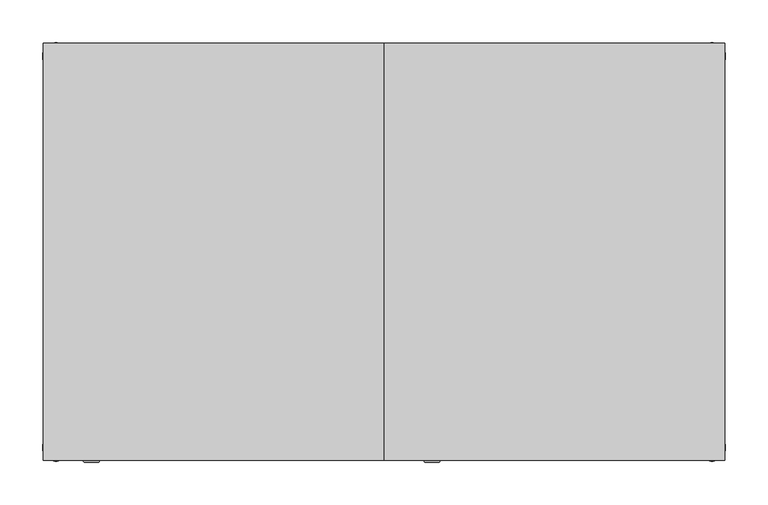
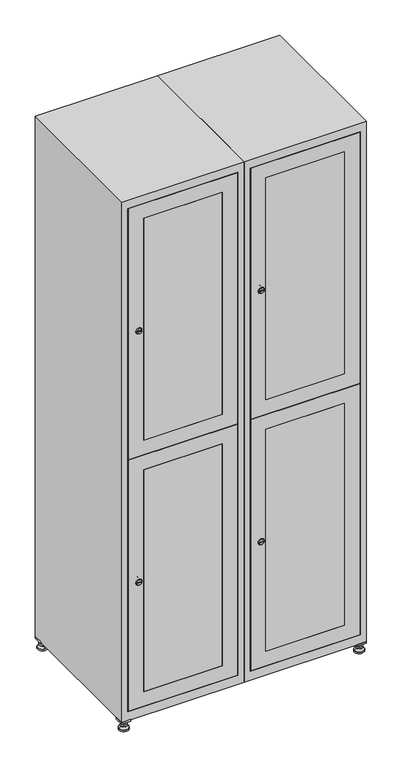
"""IFC4 building model written with IfcOpenShell, lengths in millimetres: furniture geometry."""

from ifc_helpers import new_model, si_unit, point, frame, frame_2d, origin, origin_with_axes, place, context, project, spatial, polyline, circle_curve, trimmed, segment, composite_curve, outline, extrude, faceted_brep, source, transform, mapped, element, save
from ifc_brep_helpers import plane_surface, revolved_surface, advanced_brep


def furniture_c458c1a8(model_context):
    return source(origin(), model_context, "Body", "SolidModel", [
        extrude(outline(polyline([(600.0, 245.0), (600.0, 215.0), (570.0, 215.0), (570.0, 245.0), (600.0, 245.0)]), holes=[polyline([(598.0, 243.0), (572.0, 243.0), (572.0, 217.0), (598.0, 217.0), (598.0, 243.0)])]), frame((0.0, 0.0, 28.5), z_axis=(0.0, 0.0, 1.0), x_axis=(1.0, 0.0, 0.0)), (0.0, 0.0, 1.0), 6.5),
        extrude(outline(polyline([(570.0, -245.0), (570.0, -215.0), (600.0, -215.0), (600.0, -245.0), (570.0, -245.0)]), holes=[polyline([(572.0, -243.0), (598.0, -243.0), (598.0, -217.0), (572.0, -217.0), (572.0, -243.0)])]), frame((0.0, 0.0, 28.5), z_axis=(0.0, 0.0, 1.0), x_axis=(1.0, 0.0, 0.0)), (0.0, 0.0, 1.0), 6.5),
        extrude(outline(polyline([(-170.0, 245.0), (-170.0, 215.0), (-200.0, 215.0), (-200.0, 245.0), (-170.0, 245.0)]), holes=[polyline([(-172.0, 243.0), (-198.0, 243.0), (-198.0, 217.0), (-172.0, 217.0), (-172.0, 243.0)])]), frame((0.0, 0.0, 28.5), z_axis=(0.0, 0.0, 1.0), x_axis=(1.0, 0.0, 0.0)), (0.0, 0.0, 1.0), 6.5),
        extrude(outline(polyline([(-170.0, -215.0), (-170.0, -245.0), (-200.0, -245.0), (-200.0, -215.0), (-170.0, -215.0)]), holes=[polyline([(-198.0, -243.0), (-172.0, -243.0), (-172.0, -217.0), (-198.0, -217.0), (-198.0, -243.0)])]), frame((0.0, 0.0, 28.5), z_axis=(0.0, 0.0, 1.0), x_axis=(1.0, 0.0, 0.0)), (0.0, 0.0, 1.0), 6.5),
        extrude(outline(composite_curve([segment(trimmed(circle_curve(frame_2d((-185.0, 230.0)), 5.0), [point((-180.0, 230.0))], [point((-190.0, 230.0))], False, "CARTESIAN"), True, "CONTINUOUS"), segment(trimmed(circle_curve(frame_2d((-185.0, 230.0)), 5.0), [point((-190.0, 230.0))], [point((-180.0, 230.0))], False, "CARTESIAN"), True, "CONTINUOUS")], self_intersect=False)), frame((0.0, 0.0, 19.6), z_axis=(0.0, 0.0, 1.0), x_axis=(1.0, 0.0, 0.0)), (0.0, 0.0, 1.0), 15.4),
        extrude(outline(composite_curve([segment(trimmed(circle_curve(frame_2d((-185.0, -230.0)), 5.0), [point((-180.0, -230.0))], [point((-190.0, -230.0))], False, "CARTESIAN"), True, "CONTINUOUS"), segment(trimmed(circle_curve(frame_2d((-185.0, -230.0)), 5.0), [point((-190.0, -230.0))], [point((-180.0, -230.0))], False, "CARTESIAN"), True, "CONTINUOUS")], self_intersect=False)), frame((0.0, 0.0, 19.6), z_axis=(0.0, 0.0, 1.0), x_axis=(1.0, 0.0, 0.0)), (0.0, 0.0, 1.0), 15.4),
        extrude(outline(composite_curve([segment(trimmed(circle_curve(frame_2d((585.0, 230.0)), 5.0), [point((590.0, 230.0))], [point((580.0, 230.0))], False, "CARTESIAN"), True, "CONTINUOUS"), segment(trimmed(circle_curve(frame_2d((585.0, 230.0)), 5.0), [point((580.0, 230.0))], [point((590.0, 230.0))], False, "CARTESIAN"), True, "CONTINUOUS")], self_intersect=False)), frame((0.0, 0.0, 19.6), z_axis=(0.0, 0.0, 1.0), x_axis=(1.0, 0.0, 0.0)), (0.0, 0.0, 1.0), 15.4),
        extrude(outline(polyline([(573.4529946, 230.0), (579.2264973, 240.0), (590.7735027, 240.0), (596.5470054, 230.0), (590.7735027, 220.0), (579.2264973, 220.0), (573.4529946, 230.0)])), frame((0.0, 0.0, 13.6), z_axis=(0.0, 0.0, 1.0), x_axis=(1.0, 0.0, 0.0)), (0.0, 0.0, 1.0), 6.0),
        extrude(outline(composite_curve([segment(trimmed(circle_curve(frame_2d((585.0, -230.0)), 5.0), [point((590.0, -230.0))], [point((580.0, -230.0))], False, "CARTESIAN"), True, "CONTINUOUS"), segment(trimmed(circle_curve(frame_2d((585.0, -230.0)), 5.0), [point((580.0, -230.0))], [point((590.0, -230.0))], False, "CARTESIAN"), True, "CONTINUOUS")], self_intersect=False)), frame((0.0, 0.0, 19.6), z_axis=(0.0, 0.0, 1.0), x_axis=(1.0, 0.0, 0.0)), (0.0, 0.0, 1.0), 15.4),
        extrude(outline(polyline([(573.4529946, -230.0), (579.2264973, -220.0), (590.7735027, -220.0), (596.5470054, -230.0), (590.7735027, -240.0), (579.2264973, -240.0), (573.4529946, -230.0)])), frame((0.0, 0.0, 13.6), z_axis=(0.0, 0.0, 1.0), x_axis=(1.0, 0.0, 0.0)), (0.0, 0.0, 1.0), 6.0),
        extrude(outline(composite_curve([segment(trimmed(circle_curve(frame_2d((585.0, 230.0)), 5.0), [point((590.0, 230.0))], [point((580.0, 230.0))], False, "CARTESIAN"), True, "CONTINUOUS"), segment(trimmed(circle_curve(frame_2d((585.0, 230.0)), 5.0), [point((580.0, 230.0))], [point((590.0, 230.0))], False, "CARTESIAN"), True, "CONTINUOUS")], self_intersect=False)), frame((0.0, 0.0, 12.1), z_axis=(0.0, 0.0, 1.0), x_axis=(1.0, 0.0, 0.0)), (0.0, 0.0, 1.0), 1.5),
        extrude(outline(composite_curve([segment(trimmed(circle_curve(frame_2d((585.0, -230.0)), 5.0), [point((590.0, -230.0))], [point((580.0, -230.0))], False, "CARTESIAN"), True, "CONTINUOUS"), segment(trimmed(circle_curve(frame_2d((585.0, -230.0)), 5.0), [point((580.0, -230.0))], [point((590.0, -230.0))], False, "CARTESIAN"), True, "CONTINUOUS")], self_intersect=False)), frame((0.0, 0.0, 12.1), z_axis=(0.0, 0.0, 1.0), x_axis=(1.0, 0.0, 0.0)), (0.0, 0.0, 1.0), 1.5),
        extrude(outline(polyline([(-196.5470054, 230.0), (-190.7735027, 240.0), (-179.2264973, 240.0), (-173.4529946, 230.0), (-179.2264973, 220.0), (-190.7735027, 220.0), (-196.5470054, 230.0)])), frame((0.0, 0.0, 13.6), z_axis=(0.0, 0.0, 1.0), x_axis=(1.0, 0.0, 0.0)), (0.0, 0.0, 1.0), 6.0),
        extrude(outline(polyline([(-196.5470054, -230.0), (-190.7735027, -220.0), (-179.2264973, -220.0), (-173.4529946, -230.0), (-179.2264973, -240.0), (-190.7735027, -240.0), (-196.5470054, -230.0)])), frame((0.0, 0.0, 13.6), z_axis=(0.0, 0.0, 1.0), x_axis=(1.0, 0.0, 0.0)), (0.0, 0.0, 1.0), 6.0),
        extrude(outline(composite_curve([segment(trimmed(circle_curve(frame_2d((-185.0, 230.0)), 5.0), [point((-185.0, 235.0))], [point((-185.0, 225.0))], False, "CARTESIAN"), True, "CONTINUOUS"), segment(trimmed(circle_curve(frame_2d((-185.0, 230.0)), 5.0), [point((-185.0, 225.0))], [point((-185.0, 235.0))], False, "CARTESIAN"), True, "CONTINUOUS")], self_intersect=False)), frame((0.0, 0.0, 12.1), z_axis=(0.0, 0.0, 1.0), x_axis=(1.0, 0.0, 0.0)), (0.0, 0.0, 1.0), 1.5),
        extrude(outline(composite_curve([segment(trimmed(circle_curve(frame_2d((-185.0, -230.0)), 5.0), [point((-180.0, -230.0))], [point((-190.0, -230.0))], False, "CARTESIAN"), True, "CONTINUOUS"), segment(trimmed(circle_curve(frame_2d((-185.0, -230.0)), 5.0), [point((-190.0, -230.0))], [point((-180.0, -230.0))], False, "CARTESIAN"), True, "CONTINUOUS")], self_intersect=False)), frame((0.0, 0.0, 12.1), z_axis=(0.0, 0.0, 1.0), x_axis=(1.0, 0.0, 0.0)), (0.0, 0.0, 1.0), 1.5),
        extrude(outline(composite_curve([segment(trimmed(circle_curve(frame_2d((585.0, 230.0)), 15.75), [point((600.75, 230.0))], [point((569.25, 230.0))], False, "CARTESIAN"), True, "CONTINUOUS"), segment(trimmed(circle_curve(frame_2d((585.0, 230.0)), 15.75), [point((569.25, 230.0))], [point((600.75, 230.0))], False, "CARTESIAN"), True, "CONTINUOUS")], self_intersect=False)), origin_with_axes(), (0.0, 0.0, 1.0), 5.1),
        extrude(outline(composite_curve([segment(trimmed(circle_curve(frame_2d((585.0, -230.0)), 15.75), [point((585.0, -214.25))], [point((585.0, -245.75))], False, "CARTESIAN"), True, "CONTINUOUS"), segment(trimmed(circle_curve(frame_2d((585.0, -230.0)), 15.75), [point((585.0, -245.75))], [point((585.0, -214.25))], False, "CARTESIAN"), True, "CONTINUOUS")], self_intersect=False)), origin_with_axes(), (0.0, 0.0, 1.0), 5.1),
        extrude(outline(composite_curve([segment(trimmed(circle_curve(frame_2d((-185.0, -230.0)), 15.75), [point((-169.25, -230.0))], [point((-200.75, -230.0))], False, "CARTESIAN"), True, "CONTINUOUS"), segment(trimmed(circle_curve(frame_2d((-185.0, -230.0)), 15.75), [point((-200.75, -230.0))], [point((-169.25, -230.0))], False, "CARTESIAN"), True, "CONTINUOUS")], self_intersect=False)), origin_with_axes(), (0.0, 0.0, 1.0), 5.1),
        extrude(outline(composite_curve([segment(trimmed(circle_curve(frame_2d((-185.0, 230.0)), 15.75), [point((-169.25, 230.0))], [point((-200.75, 230.0))], False, "CARTESIAN"), True, "CONTINUOUS"), segment(trimmed(circle_curve(frame_2d((-185.0, 230.0)), 15.75), [point((-200.75, 230.0))], [point((-169.25, 230.0))], False, "CARTESIAN"), True, "CONTINUOUS")], self_intersect=False)), origin_with_axes(), (0.0, 0.0, 1.0), 5.1),
        advanced_brep(
        [(-185.0, 245.75, 5.1), (-185.0, 214.25, 5.1), (-185.0, 239.5, 12.1), (-185.0, 220.5, 12.1)],
        [
            (0, 1, circle_curve(frame((-185.0, 230.0, 5.1), z_axis=(0.0, 0.0, -1.0), x_axis=(0.0, 1.0, 0.0)), 15.75)),
            (1, 0, circle_curve(frame((-185.0, 230.0, 5.1), z_axis=(0.0, 0.0, -1.0), x_axis=(0.0, -1.0, 0.0)), 15.75)),
            (2, 3, circle_curve(frame((-185.0, 230.0, 12.1), z_axis=(0.0, 0.0, 1.0), x_axis=(0.0, -1.0, 0.0)), 9.5)),
            (3, 2, circle_curve(frame((-185.0, 230.0, 12.1), z_axis=(0.0, 0.0, 1.0), x_axis=(0.0, 1.0, 0.0)), 9.5)),
            (3, 1),
            (0, 2),
        ],
        [
            plane_surface(frame((-185.0, 230.0, 5.1), z_axis=(0.0, 0.0, -1.0), x_axis=(1.0, 0.0, 0.0))),
            plane_surface(frame((-185.0, 230.0, 12.1), z_axis=(0.0, 0.0, 1.0), x_axis=(1.0, 0.0, 0.0))),
            revolved_surface(polyline([(-185.0, 220.5, 12.099999999999998), (-185.0, 214.25, 5.099999999999998)]), (-185.0, 230.0, 22.74), (0.0, 0.0, -1.0)),
            revolved_surface(polyline([(-185.0, 239.5, 12.099999999999998), (-185.0, 245.75, 5.099999999999998)]), (-185.0, 230.0, 22.74), (0.0, 0.0, -1.0)),
        ],
        [
            (0, [[1, 2]]),
            (1, [[3, 4]]),
            (2, [[-4, 5, -1, 6]]),
            (3, [[-3, -6, -2, -5]]),
        ],
    ),
        advanced_brep(
        [(585.0, 245.75, 5.1), (585.0, 214.25, 5.1), (585.0, 239.5, 12.1), (585.0, 220.5, 12.1)],
        [
            (0, 1, circle_curve(frame((585.0, 230.0, 5.1), z_axis=(0.0, 0.0, -1.0), x_axis=(0.0, 1.0, 0.0)), 15.75)),
            (1, 0, circle_curve(frame((585.0, 230.0, 5.1), z_axis=(0.0, 0.0, -1.0), x_axis=(0.0, -1.0, 0.0)), 15.75)),
            (2, 3, circle_curve(frame((585.0, 230.0, 12.1), z_axis=(0.0, 0.0, 1.0), x_axis=(0.0, -1.0, 0.0)), 9.5)),
            (3, 2, circle_curve(frame((585.0, 230.0, 12.1), z_axis=(0.0, 0.0, 1.0), x_axis=(0.0, 1.0, 0.0)), 9.5)),
            (3, 1),
            (0, 2),
        ],
        [
            plane_surface(frame((585.0, 230.0, 5.1), z_axis=(0.0, 0.0, -1.0), x_axis=(1.0, 0.0, 0.0))),
            plane_surface(frame((585.0, 230.0, 12.1), z_axis=(0.0, 0.0, 1.0), x_axis=(1.0, 0.0, 0.0))),
            revolved_surface(polyline([(585.0, 220.5, 12.099999999999998), (585.0, 214.25, 5.099999999999998)]), (585.0, 230.0, 22.74), (0.0, 0.0, -1.0)),
            revolved_surface(polyline([(585.0, 239.5, 12.099999999999998), (585.0, 245.75, 5.099999999999998)]), (585.0, 230.0, 22.74), (0.0, 0.0, -1.0)),
        ],
        [
            (0, [[1, 2]]),
            (1, [[3, 4]]),
            (2, [[-4, 5, -1, 6]]),
            (3, [[-3, -6, -2, -5]]),
        ],
    ),
        advanced_brep(
        [(594.5, -230.0, 12.1), (575.5, -230.0, 12.1), (600.75, -230.0, 5.1), (569.25, -230.0, 5.1)],
        [
            (0, 1, circle_curve(frame((585.0, -230.0, 12.1), z_axis=(0.0, 0.0, 1.0), x_axis=(1.0, 0.0, 0.0)), 9.5)),
            (1, 0, circle_curve(frame((585.0, -230.0, 12.1), z_axis=(0.0, 0.0, 1.0), x_axis=(-1.0, 0.0, 0.0)), 9.5)),
            (2, 3, circle_curve(frame((585.0, -230.0, 5.1), z_axis=(0.0, 0.0, -1.0), x_axis=(-1.0, 0.0, 0.0)), 15.75)),
            (3, 2, circle_curve(frame((585.0, -230.0, 5.1), z_axis=(0.0, 0.0, -1.0), x_axis=(1.0, 0.0, 0.0)), 15.75)),
            (3, 1),
            (0, 2),
        ],
        [
            plane_surface(frame((585.0, -230.0, 12.1), z_axis=(0.0, 0.0, 1.0), x_axis=(0.0, 1.0, 0.0))),
            plane_surface(frame((585.0, -230.0, 5.1), z_axis=(0.0, 0.0, -1.0), x_axis=(0.0, 1.0, 0.0))),
            revolved_surface(polyline([(594.5, -230.0, 12.099999999999998), (600.75, -230.0, 5.099999999999998)]), (585.0, -230.0, 22.74), (0.0, 0.0, -1.0)),
            revolved_surface(polyline([(575.5, -230.0, 12.099999999999998), (569.25, -230.0, 5.099999999999998)]), (585.0, -230.0, 22.74), (0.0, 0.0, -1.0)),
        ],
        [
            (0, [[1, 2]]),
            (1, [[3, 4]]),
            (2, [[-4, 5, -1, 6]]),
            (3, [[-3, -6, -2, -5]]),
        ],
    ),
        advanced_brep(
        [(-175.5, -230.0, 12.1), (-194.5, -230.0, 12.1), (-169.25, -230.0, 5.1), (-200.75, -230.0, 5.1)],
        [
            (0, 1, circle_curve(frame((-185.0, -230.0, 12.1), z_axis=(0.0, 0.0, 1.0), x_axis=(1.0, 0.0, 0.0)), 9.5)),
            (1, 0, circle_curve(frame((-185.0, -230.0, 12.1), z_axis=(0.0, 0.0, 1.0), x_axis=(-1.0, 0.0, 0.0)), 9.5)),
            (2, 3, circle_curve(frame((-185.0, -230.0, 5.1), z_axis=(0.0, 0.0, -1.0), x_axis=(-1.0, 0.0, 0.0)), 15.75)),
            (3, 2, circle_curve(frame((-185.0, -230.0, 5.1), z_axis=(0.0, 0.0, -1.0), x_axis=(1.0, 0.0, 0.0)), 15.75)),
            (3, 1),
            (0, 2),
        ],
        [
            plane_surface(frame((-185.0, -230.0, 12.1), z_axis=(0.0, 0.0, 1.0), x_axis=(0.0, 1.0, 0.0))),
            plane_surface(frame((-185.0, -230.0, 5.1), z_axis=(0.0, 0.0, -1.0), x_axis=(0.0, 1.0, 0.0))),
            revolved_surface(polyline([(-175.5, -230.0, 12.099999999999998), (-169.25, -230.0, 5.099999999999998)]), (-185.0, -230.0, 22.74), (0.0, 0.0, -1.0)),
            revolved_surface(polyline([(-194.5, -230.0, 12.099999999999998), (-200.75, -230.0, 5.099999999999998)]), (-185.0, -230.0, 22.74), (0.0, 0.0, -1.0)),
        ],
        [
            (0, [[1, 2]]),
            (1, [[3, 4]]),
            (2, [[-4, 5, -1, 6]]),
            (3, [[-3, -6, -2, -5]]),
        ],
    ),
        extrude(outline(composite_curve([segment(trimmed(circle_curve(frame_2d((1369.4, 229.6010534)), 7.0), [point((1376.4, 229.6010534))], [point((1362.4, 229.6010534))], False, "CARTESIAN"), True, "CONTINUOUS"), segment(polyline([(1362.4, 229.6010534), (1362.4, 257.6010534)]), True, "CONTINUOUS"), segment(trimmed(circle_curve(frame_2d((1369.4, 257.6010534)), 7.0), [point((1362.4, 257.6010534))], [point((1376.4, 257.6010534))], False, "CARTESIAN"), True, "CONTINUOUS"), segment(polyline([(1376.4, 257.6010534), (1376.4, 229.6010534)]), True, "CONTINUOUS")], self_intersect=False)), frame((0.0, -227.0, 0.0), z_axis=(0.0, 1.0, 0.0), x_axis=(0.0, 0.0, 1.0)), (0.0, 0.0, 1.0), 2.0),
        advanced_brep(
        [(264.9, -247.2, 1369.4), (247.9, -247.2, 1369.4), (251.4, -247.2, 1368.15), (251.4, -247.2, 1370.65), (261.4, -247.2, 1370.65), (261.4, -247.2, 1368.15), (266.9, -245.0, 1369.4), (245.9, -245.0, 1369.4), (251.4, -245.0, 1370.65), (251.4, -245.0, 1368.15), (261.4, -245.0, 1368.15), (261.4, -245.0, 1370.65)],
        [
            (0, 1, circle_curve(frame((256.4, -247.2, 1369.4), z_axis=(0.0, -1.0, 0.0), x_axis=(1.0, 0.0, 0.0)), 8.5)),
            (1, 0, circle_curve(frame((256.4, -247.2, 1369.4), z_axis=(0.0, -1.0, 0.0), x_axis=(-1.0, 0.0, 0.0)), 8.5)),
            (2, 3),
            (3, 4),
            (4, 5),
            (5, 2),
            (6, 7, circle_curve(frame((256.4, -245.0, 1369.4), z_axis=(0.0, 1.0, 0.0), x_axis=(-1.0, 0.0, 0.0)), 10.5)),
            (7, 6, circle_curve(frame((256.4, -245.0, 1369.4), z_axis=(0.0, 1.0, 0.0), x_axis=(1.0, 0.0, 0.0)), 10.5)),
            (8, 9),
            (9, 10),
            (10, 11),
            (11, 8),
            (0, 6),
            (7, 1),
            (8, 3),
            (2, 9),
            (11, 4),
            (10, 5),
        ],
        [
            plane_surface(frame((256.4, -247.2, 1369.4), z_axis=(0.0, -1.0, 0.0), x_axis=(0.0, 0.0, 1.0))),
            plane_surface(frame((256.4, -245.0, 1369.4), z_axis=(0.0, 1.0, 0.0), x_axis=(0.0, 0.0, 1.0))),
            revolved_surface(polyline([(264.9, -247.2, 1369.4), (266.9, -245.0, 1369.4)]), (256.4, -256.55, 1369.4), (0.0, 1.0, 0.0)),
            revolved_surface(polyline([(247.89999999999998, -247.2, 1369.4), (245.9, -245.0, 1369.4)]), (256.4, -256.55, 1369.4), (0.0, 1.0, 0.0)),
            plane_surface(frame((251.4, -245.0, 1368.15), z_axis=(1.0, 0.0, 0.0), x_axis=(0.0, -1.0, 0.0))),
            plane_surface(frame((251.4, -245.0, 1370.65), z_axis=(0.0, 0.0, -1.0), x_axis=(0.0, -1.0, 0.0))),
            plane_surface(frame((261.4, -245.0, 1370.65), z_axis=(-1.0, 0.0, 0.0), x_axis=(0.0, -1.0, 0.0))),
            plane_surface(frame((261.4, -245.0, 1368.15), z_axis=(0.0, 0.0, 1.0), x_axis=(0.0, -1.0, 0.0))),
        ],
        [
            (0, [[1, 2], [3, 4, 5, 6]]),
            (1, [[7, 8], [9, 10, 11, 12]]),
            (2, [[-1, 13, -8, 14]]),
            (3, [[-2, -14, -7, -13]]),
            (4, [[15, -3, 16, -9]]),
            (5, [[-15, -12, 17, -4]]),
            (6, [[-17, -11, 18, -5]]),
            (7, [[-16, -6, -18, -10]]),
        ],
    ),
        extrude(outline(composite_curve([segment(trimmed(circle_curve(frame_2d((500.6, 229.6010534)), 7.0), [point((507.6, 229.6010534))], [point((493.6, 229.6010534))], False, "CARTESIAN"), True, "CONTINUOUS"), segment(polyline([(493.6, 229.6010534), (493.6, 257.6010534)]), True, "CONTINUOUS"), segment(trimmed(circle_curve(frame_2d((500.6, 257.6010534)), 7.0), [point((493.6, 257.6010534))], [point((507.6, 257.6010534))], False, "CARTESIAN"), True, "CONTINUOUS"), segment(polyline([(507.6, 257.6010534), (507.6, 229.6010534)]), True, "CONTINUOUS")], self_intersect=False)), frame((0.0, -227.0, 0.0), z_axis=(0.0, 1.0, 0.0), x_axis=(0.0, 0.0, 1.0)), (0.0, 0.0, 1.0), 2.0),
        advanced_brep(
        [(264.9, -247.2, 500.6), (247.9, -247.2, 500.6), (251.4, -247.2, 499.35), (251.4, -247.2, 501.85), (261.4, -247.2, 501.85), (261.4, -247.2, 499.35), (266.9, -245.0, 500.6), (245.9, -245.0, 500.6), (251.4, -245.0, 501.85), (251.4, -245.0, 499.35), (261.4, -245.0, 499.35), (261.4, -245.0, 501.85)],
        [
            (0, 1, circle_curve(frame((256.4, -247.2, 500.6), z_axis=(0.0, -1.0, 0.0), x_axis=(1.0, 0.0, 0.0)), 8.5)),
            (1, 0, circle_curve(frame((256.4, -247.2, 500.6), z_axis=(0.0, -1.0, 0.0), x_axis=(-1.0, 0.0, 0.0)), 8.5)),
            (2, 3),
            (3, 4),
            (4, 5),
            (5, 2),
            (6, 7, circle_curve(frame((256.4, -245.0, 500.6), z_axis=(0.0, 1.0, 0.0), x_axis=(-1.0, 0.0, 0.0)), 10.5)),
            (7, 6, circle_curve(frame((256.4, -245.0, 500.6), z_axis=(0.0, 1.0, 0.0), x_axis=(1.0, 0.0, 0.0)), 10.5)),
            (8, 9),
            (9, 10),
            (10, 11),
            (11, 8),
            (0, 6),
            (7, 1),
            (8, 3),
            (2, 9),
            (11, 4),
            (10, 5),
        ],
        [
            plane_surface(frame((256.4, -247.2, 500.6), z_axis=(0.0, -1.0, 0.0), x_axis=(0.0, 0.0, 1.0))),
            plane_surface(frame((256.4, -245.0, 500.6), z_axis=(0.0, 1.0, 0.0), x_axis=(0.0, 0.0, 1.0))),
            revolved_surface(polyline([(264.9, -247.2, 500.6), (266.9, -245.0, 500.6)]), (256.4, -256.55, 500.6), (0.0, 1.0, 0.0)),
            revolved_surface(polyline([(247.89999999999998, -247.2, 500.6), (245.9, -245.0, 500.6)]), (256.4, -256.55, 500.6), (0.0, 1.0, 0.0)),
            plane_surface(frame((251.4, -245.0, 499.35), z_axis=(1.0, 0.0, 0.0), x_axis=(0.0, -1.0, 0.0))),
            plane_surface(frame((251.4, -245.0, 501.85), z_axis=(0.0, 0.0, -1.0), x_axis=(0.0, -1.0, 0.0))),
            plane_surface(frame((261.4, -245.0, 501.85), z_axis=(-1.0, 0.0, 0.0), x_axis=(0.0, -1.0, 0.0))),
            plane_surface(frame((261.4, -245.0, 499.35), z_axis=(0.0, 0.0, 1.0), x_axis=(0.0, -1.0, 0.0))),
        ],
        [
            (0, [[1, 2], [3, 4, 5, 6]]),
            (1, [[7, 8], [9, 10, 11, 12]]),
            (2, [[-1, 13, -8, 14]]),
            (3, [[-2, -14, -7, -13]]),
            (4, [[15, -3, 16, -9]]),
            (5, [[-15, -12, 17, -4]]),
            (6, [[-17, -11, 18, -5]]),
            (7, [[-16, -6, -18, -10]]),
        ],
    ),
        extrude(outline(polyline([(935.5, 578.6), (1803.8, 578.6), (1803.8, 221.4), (935.5, 221.4), (935.5, 578.6)]), holes=[polyline([(1753.8, 271.4), (1753.8, 528.6), (985.5, 528.6), (985.5, 271.4), (1753.8, 271.4)])]), frame((0.0, -245.0, 0.0), z_axis=(0.0, 1.0, 0.0), x_axis=(0.0, 0.0, 1.0)), (0.0, 0.0, 1.0), 18.0),
        extrude(outline(polyline([(934.5, 221.4), (66.2, 221.4), (66.2, 578.6), (934.5, 578.6), (934.5, 221.4)]), holes=[polyline([(116.2, 271.4), (884.5, 271.4), (884.5, 528.6), (116.2, 528.6), (116.2, 271.4)])]), frame((0.0, -245.0, 0.0), z_axis=(0.0, 1.0, 0.0), x_axis=(0.0, 0.0, 1.0)), (0.0, 0.0, 1.0), 18.0),
        extrude(outline(polyline([(528.6, -245.0), (271.4, -245.0), (271.4, -227.0), (528.6, -227.0), (528.6, -245.0)])), frame((0.0, 0.0, 985.5), z_axis=(0.0, 0.0, 1.0), x_axis=(1.0, 0.0, 0.0)), (0.0, 0.0, 1.0), 768.3),
        extrude(outline(polyline([(528.6, -245.0), (271.4, -245.0), (271.4, -227.0), (528.6, -227.0), (528.6, -245.0)])), frame((0.0, 0.0, 116.2), z_axis=(0.0, 0.0, 1.0), x_axis=(1.0, 0.0, 0.0)), (0.0, 0.0, 1.0), 768.3),
        extrude(outline(polyline([(579.6, 242.0), (579.6, -227.0), (220.4, -227.0), (220.4, 242.0), (579.6, 242.0)])), frame((0.0, 0.0, 924.8), z_axis=(0.0, 0.0, 1.0), x_axis=(1.0, 0.0, 0.0)), (0.0, 0.0, 1.0), 20.4),
        faceted_brep([(600.0, -245.0, 35.0), (600.0, -245.0, 1835.0), (200.0, -245.0, 1835.0), (200.0, -245.0, 35.0), (579.6, -245.0, 1804.8), (579.6, -245.0, 65.2), (220.4, -245.0, 65.2), (220.4, -245.0, 1804.8), (600.0, 245.0, 35.0), (200.0, 245.0, 35.0), (600.0, 245.0, 1835.0), (200.0, 245.0, 1835.0), (579.6, 242.0, 1804.8), (579.6, 242.0, 65.2), (200.0, 245.0, 1804.8), (220.4, 242.0, 1804.8), (220.4, 242.0, 65.2)], [[[0, 1, 2, 3], [4, 5, 6, 7]], [[8, 0, 3, 9]], [[1, 0, 8, 10]], [[1, 10, 11, 2]], [[4, 12, 13, 5]], [[9, 3, 2, 11, 14]], [[10, 8, 9, 14, 11]], [[12, 15, 16, 13]], [[15, 7, 6, 16]], [[4, 7, 15, 12]], [[6, 5, 13, 16]]]),
        extrude(outline(composite_curve([segment(trimmed(circle_curve(frame_2d((1369.4, -170.3989466)), 7.0), [point((1376.4, -170.3989466))], [point((1362.4, -170.3989466))], False, "CARTESIAN"), True, "CONTINUOUS"), segment(polyline([(1362.4, -170.3989466), (1362.4, -142.3989466)]), True, "CONTINUOUS"), segment(trimmed(circle_curve(frame_2d((1369.4, -142.3989466)), 7.0), [point((1362.4, -142.3989466))], [point((1376.4, -142.3989466))], False, "CARTESIAN"), True, "CONTINUOUS"), segment(polyline([(1376.4, -142.3989466), (1376.4, -170.3989466)]), True, "CONTINUOUS")], self_intersect=False)), frame((0.0, -227.0, 0.0), z_axis=(0.0, 1.0, 0.0), x_axis=(0.0, 0.0, 1.0)), (0.0, 0.0, 1.0), 2.0),
        advanced_brep(
        [(-135.1, -247.2, 1369.4), (-152.1, -247.2, 1369.4), (-148.6, -247.2, 1368.15), (-148.6, -247.2, 1370.65), (-138.6, -247.2, 1370.65), (-138.6, -247.2, 1368.15), (-133.1, -245.0, 1369.4), (-154.1, -245.0, 1369.4), (-148.6, -245.0, 1370.65), (-148.6, -245.0, 1368.15), (-138.6, -245.0, 1368.15), (-138.6, -245.0, 1370.65)],
        [
            (0, 1, circle_curve(frame((-143.6, -247.2, 1369.4), z_axis=(0.0, -1.0, 0.0), x_axis=(1.0, 0.0, 0.0)), 8.5)),
            (1, 0, circle_curve(frame((-143.6, -247.2, 1369.4), z_axis=(0.0, -1.0, 0.0), x_axis=(-1.0, 0.0, 0.0)), 8.5)),
            (2, 3),
            (3, 4),
            (4, 5),
            (5, 2),
            (6, 7, circle_curve(frame((-143.6, -245.0, 1369.4), z_axis=(0.0, 1.0, 0.0), x_axis=(-1.0, 0.0, 0.0)), 10.5)),
            (7, 6, circle_curve(frame((-143.6, -245.0, 1369.4), z_axis=(0.0, 1.0, 0.0), x_axis=(1.0, 0.0, 0.0)), 10.5)),
            (8, 9),
            (9, 10),
            (10, 11),
            (11, 8),
            (0, 6),
            (7, 1),
            (8, 3),
            (2, 9),
            (11, 4),
            (10, 5),
        ],
        [
            plane_surface(frame((-143.6, -247.2, 1369.4), z_axis=(0.0, -1.0, 0.0), x_axis=(0.0, 0.0, 1.0))),
            plane_surface(frame((-143.6, -245.0, 1369.4), z_axis=(0.0, 1.0, 0.0), x_axis=(0.0, 0.0, 1.0))),
            revolved_surface(polyline([(-135.1, -247.2, 1369.4), (-133.1, -245.0, 1369.4)]), (-143.6, -256.55, 1369.4), (0.0, 1.0, 0.0)),
            revolved_surface(polyline([(-152.1, -247.2, 1369.4), (-154.1, -245.0, 1369.4)]), (-143.6, -256.55, 1369.4), (0.0, 1.0, 0.0)),
            plane_surface(frame((-148.6, -245.0, 1368.15), z_axis=(1.0, 0.0, 0.0), x_axis=(0.0, -1.0, 0.0))),
            plane_surface(frame((-148.6, -245.0, 1370.65), z_axis=(0.0, 0.0, -1.0), x_axis=(0.0, -1.0, 0.0))),
            plane_surface(frame((-138.6, -245.0, 1370.65), z_axis=(-1.0, 0.0, 0.0), x_axis=(0.0, -1.0, 0.0))),
            plane_surface(frame((-138.6, -245.0, 1368.15), z_axis=(0.0, 0.0, 1.0), x_axis=(0.0, -1.0, 0.0))),
        ],
        [
            (0, [[1, 2], [3, 4, 5, 6]]),
            (1, [[7, 8], [9, 10, 11, 12]]),
            (2, [[-1, 13, -8, 14]]),
            (3, [[-2, -14, -7, -13]]),
            (4, [[15, -3, 16, -9]]),
            (5, [[-15, -12, 17, -4]]),
            (6, [[-17, -11, 18, -5]]),
            (7, [[-16, -6, -18, -10]]),
        ],
    ),
        extrude(outline(composite_curve([segment(trimmed(circle_curve(frame_2d((500.6, -170.3989466)), 7.0), [point((507.6, -170.3989466))], [point((493.6, -170.3989466))], False, "CARTESIAN"), True, "CONTINUOUS"), segment(polyline([(493.6, -170.3989466), (493.6, -142.3989466)]), True, "CONTINUOUS"), segment(trimmed(circle_curve(frame_2d((500.6, -142.3989466)), 7.0), [point((493.6, -142.3989466))], [point((507.6, -142.3989466))], False, "CARTESIAN"), True, "CONTINUOUS"), segment(polyline([(507.6, -142.3989466), (507.6, -170.3989466)]), True, "CONTINUOUS")], self_intersect=False)), frame((0.0, -227.0, 0.0), z_axis=(0.0, 1.0, 0.0), x_axis=(0.0, 0.0, 1.0)), (0.0, 0.0, 1.0), 2.0),
        advanced_brep(
        [(-135.1, -247.2, 500.6), (-152.1, -247.2, 500.6), (-148.6, -247.2, 499.35), (-148.6, -247.2, 501.85), (-138.6, -247.2, 501.85), (-138.6, -247.2, 499.35), (-133.1, -245.0, 500.6), (-154.1, -245.0, 500.6), (-148.6, -245.0, 501.85), (-148.6, -245.0, 499.35), (-138.6, -245.0, 499.35), (-138.6, -245.0, 501.85)],
        [
            (0, 1, circle_curve(frame((-143.6, -247.2, 500.6), z_axis=(0.0, -1.0, 0.0), x_axis=(1.0, 0.0, 0.0)), 8.5)),
            (1, 0, circle_curve(frame((-143.6, -247.2, 500.6), z_axis=(0.0, -1.0, 0.0), x_axis=(-1.0, 0.0, 0.0)), 8.5)),
            (2, 3),
            (3, 4),
            (4, 5),
            (5, 2),
            (6, 7, circle_curve(frame((-143.6, -245.0, 500.6), z_axis=(0.0, 1.0, 0.0), x_axis=(-1.0, 0.0, 0.0)), 10.5)),
            (7, 6, circle_curve(frame((-143.6, -245.0, 500.6), z_axis=(0.0, 1.0, 0.0), x_axis=(1.0, 0.0, 0.0)), 10.5)),
            (8, 9),
            (9, 10),
            (10, 11),
            (11, 8),
            (0, 6),
            (7, 1),
            (8, 3),
            (2, 9),
            (11, 4),
            (10, 5),
        ],
        [
            plane_surface(frame((-143.6, -247.2, 500.6), z_axis=(0.0, -1.0, 0.0), x_axis=(0.0, 0.0, 1.0))),
            plane_surface(frame((-143.6, -245.0, 500.6), z_axis=(0.0, 1.0, 0.0), x_axis=(0.0, 0.0, 1.0))),
            revolved_surface(polyline([(-135.1, -247.2, 500.6), (-133.1, -245.0, 500.6)]), (-143.6, -256.55, 500.6), (0.0, 1.0, 0.0)),
            revolved_surface(polyline([(-152.1, -247.2, 500.6), (-154.1, -245.0, 500.6)]), (-143.6, -256.55, 500.6), (0.0, 1.0, 0.0)),
            plane_surface(frame((-148.6, -245.0, 499.35), z_axis=(1.0, 0.0, 0.0), x_axis=(0.0, -1.0, 0.0))),
            plane_surface(frame((-148.6, -245.0, 501.85), z_axis=(0.0, 0.0, -1.0), x_axis=(0.0, -1.0, 0.0))),
            plane_surface(frame((-138.6, -245.0, 501.85), z_axis=(-1.0, 0.0, 0.0), x_axis=(0.0, -1.0, 0.0))),
            plane_surface(frame((-138.6, -245.0, 499.35), z_axis=(0.0, 0.0, 1.0), x_axis=(0.0, -1.0, 0.0))),
        ],
        [
            (0, [[1, 2], [3, 4, 5, 6]]),
            (1, [[7, 8], [9, 10, 11, 12]]),
            (2, [[-1, 13, -8, 14]]),
            (3, [[-2, -14, -7, -13]]),
            (4, [[15, -3, 16, -9]]),
            (5, [[-15, -12, 17, -4]]),
            (6, [[-17, -11, 18, -5]]),
            (7, [[-16, -6, -18, -10]]),
        ],
    ),
        extrude(outline(polyline([(935.5, 178.6), (1803.8, 178.6), (1803.8, -178.6), (935.5, -178.6), (935.5, 178.6)]), holes=[polyline([(1753.8, -128.6), (1753.8, 128.6), (985.5, 128.6), (985.5, -128.6), (1753.8, -128.6)])]), frame((0.0, -245.0, 0.0), z_axis=(0.0, 1.0, 0.0), x_axis=(0.0, 0.0, 1.0)), (0.0, 0.0, 1.0), 18.0),
        extrude(outline(polyline([(934.5, -178.6), (66.2, -178.6), (66.2, 178.6), (934.5, 178.6), (934.5, -178.6)]), holes=[polyline([(116.2, -128.6), (884.5, -128.6), (884.5, 128.6), (116.2, 128.6), (116.2, -128.6)])]), frame((0.0, -245.0, 0.0), z_axis=(0.0, 1.0, 0.0), x_axis=(0.0, 0.0, 1.0)), (0.0, 0.0, 1.0), 18.0),
        extrude(outline(polyline([(128.6, -245.0), (-128.6, -245.0), (-128.6, -227.0), (128.6, -227.0), (128.6, -245.0)])), frame((0.0, 0.0, 985.5), z_axis=(0.0, 0.0, 1.0), x_axis=(1.0, 0.0, 0.0)), (0.0, 0.0, 1.0), 768.3),
        extrude(outline(polyline([(128.6, -245.0), (-128.6, -245.0), (-128.6, -227.0), (128.6, -227.0), (128.6, -245.0)])), frame((0.0, 0.0, 116.2), z_axis=(0.0, 0.0, 1.0), x_axis=(1.0, 0.0, 0.0)), (0.0, 0.0, 1.0), 768.3),
        extrude(outline(polyline([(179.6, 242.0), (179.6, -227.0), (-179.6, -227.0), (-179.6, 242.0), (179.6, 242.0)])), frame((0.0, 0.0, 924.8), z_axis=(0.0, 0.0, 1.0), x_axis=(1.0, 0.0, 0.0)), (0.0, 0.0, 1.0), 20.4),
        faceted_brep([(200.0, -245.0, 35.0), (200.0, -245.0, 1835.0), (-200.0, -245.0, 1835.0), (-200.0, -245.0, 35.0), (179.6, -245.0, 1804.8), (179.6, -245.0, 65.2), (-179.6, -245.0, 65.2), (-179.6, -245.0, 1804.8), (200.0, 245.0, 35.0), (-200.0, 245.0, 35.0), (200.0, 245.0, 1835.0), (-200.0, 245.0, 1835.0), (179.6, 242.0, 1804.8), (179.6, 242.0, 65.2), (-200.0, 245.0, 1804.8), (-179.6, 242.0, 1804.8), (-179.6, 242.0, 65.2)], [[[0, 1, 2, 3], [4, 5, 6, 7]], [[8, 0, 3, 9]], [[1, 0, 8, 10]], [[1, 10, 11, 2]], [[4, 12, 13, 5]], [[9, 3, 2, 11, 14]], [[10, 8, 9, 14, 11]], [[12, 15, 16, 13]], [[15, 7, 6, 16]], [[4, 7, 15, 12]], [[6, 5, 13, 16]]]),
    ])


if __name__ == "__main__":
    model = new_model("IFC4")
    model_context = context("Model", 3, world=origin())
    ifc_project = project(units=[si_unit("LENGTHUNIT", "METRE", prefix="MILLI")], contexts=[model_context])
    site = spatial("IfcSite", under=ifc_project)
    building = spatial("IfcBuilding", under=site)
    placement = place(None, origin())
    furniture_shape = furniture_c458c1a8(model_context)
    element("IfcFurniture", 1, at=placement, inside=building, context=model_context, shape_type="MappedRepresentation", body=[
        mapped(furniture_shape, transform((0.0, 0.0, 0.0), x_axis=(1.0, 0.0, 0.0), y_axis=(0.0, 1.0, 0.0), z_axis=(0.0, 0.0, 1.0))),
    ])
    save(model, "model.ifc")
